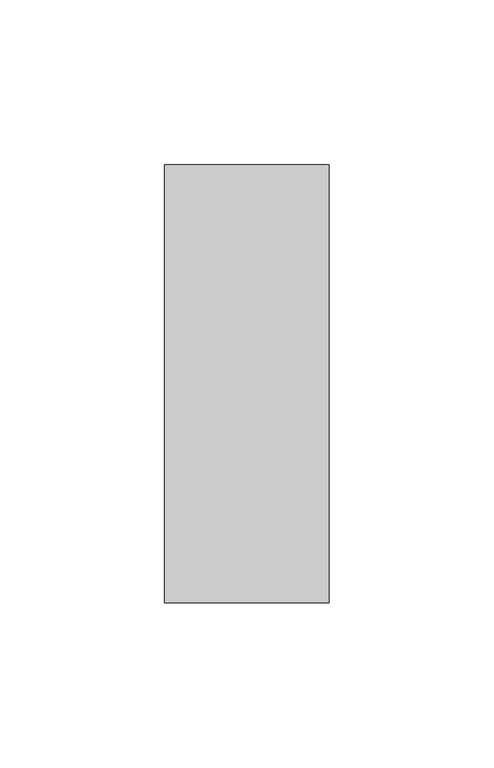
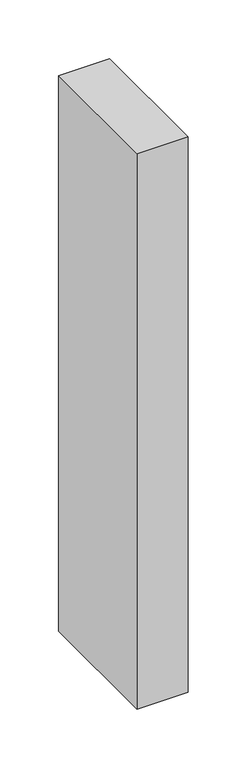
"""IFC4 building model written with IfcOpenShell, lengths in millimetres: member geometry."""

from ifc_helpers import new_model, si_unit, frame, origin, place, context, project, spatial, polyline, outline, extrude, source, transform, mapped, element, save


def member_9cdde080(model_context):
    return source(origin(), model_context, "Body", "SweptSolid", [
        extrude(outline(polyline([(25.0, -22.0), (-25.0, -22.0), (-25.0, 111.0), (25.0, 111.0), (25.0, -22.0)])), frame((0.0, 0.0, -575.0), z_axis=(0.0, 0.0, 1.0), x_axis=(1.0, 0.0, 0.0)), (0.0, 0.0, 1.0), 575.0),
    ])


if __name__ == "__main__":
    model = new_model("IFC4")
    model_context = context("Model", 3, world=origin())
    ifc_project = project(units=[si_unit("LENGTHUNIT", "METRE", prefix="MILLI")], contexts=[model_context])
    site = spatial("IfcSite", under=ifc_project)
    building = spatial("IfcBuilding", under=site)
    placement = place(None, origin())
    member_shape = member_9cdde080(model_context)
    element("IfcMember", 1, at=placement, inside=building, context=model_context, shape_type="MappedRepresentation", body=[
        mapped(member_shape, transform((0.0, 0.0, 0.0), x_axis=(1.0, 0.0, 0.0), y_axis=(0.0, 1.0, 0.0), z_axis=(0.0, 0.0, 1.0))),
    ])
    save(model, "model.ifc")
